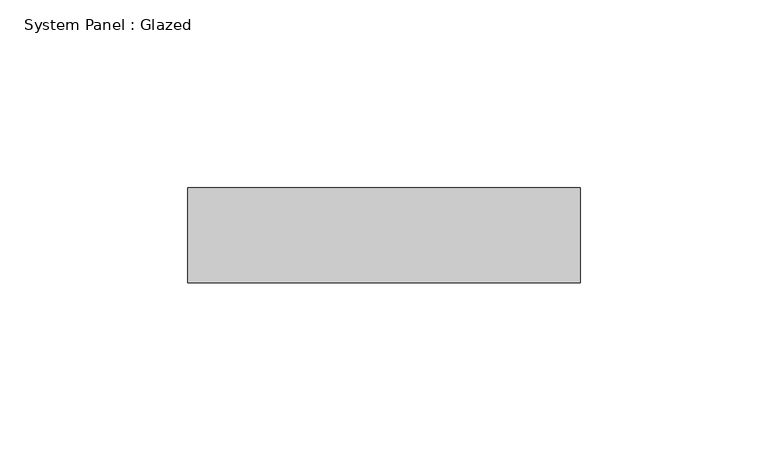
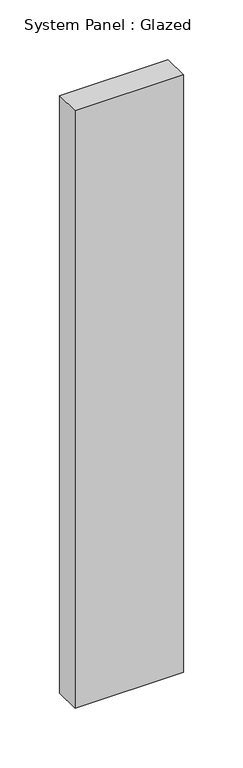
"""IFC4 building model written with IfcOpenShell, lengths in millimetres: plate geometry, System Panel : Glazed."""

from ifc_helpers import new_model, si_unit, origin, origin_with_axes, place, context, project, spatial, polyline, outline, extrude, source, transform, mapped, element, save


def system_panel_glazed_c86c1546(model_context):
    return source(origin(), model_context, "Body", "SweptSolid", [
        extrude(outline(polyline([(52.3875, 19.05), (-52.3875, 19.05), (-52.3875, 44.45), (52.3875, 44.45), (52.3875, 19.05)])), origin_with_axes(), (0.0, 0.0, 1.0), 609.6),
    ])


if __name__ == "__main__":
    model = new_model("IFC4")
    model_context = context("Model", 3, world=origin())
    ifc_project = project(units=[si_unit("LENGTHUNIT", "METRE", prefix="MILLI")], contexts=[model_context])
    site = spatial("IfcSite", under=ifc_project)
    building = spatial("IfcBuilding", under=site)
    placement = place(None, origin())
    system_panel_glazed_shape = system_panel_glazed_c86c1546(model_context)
    element("IfcPlate", 1, ObjectType="System Panel : Glazed", at=placement, inside=building, context=model_context, shape_type="MappedRepresentation", body=[
        mapped(system_panel_glazed_shape, transform((0.0, 0.0, 0.0), x_axis=(1.0, 0.0, 0.0), y_axis=(0.0, 1.0, 0.0), z_axis=(0.0, 0.0, 1.0))),
    ])
    save(model, "model.ifc")
